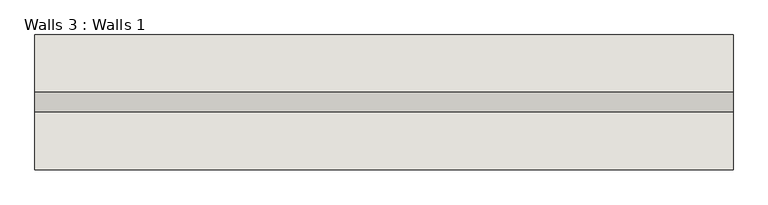
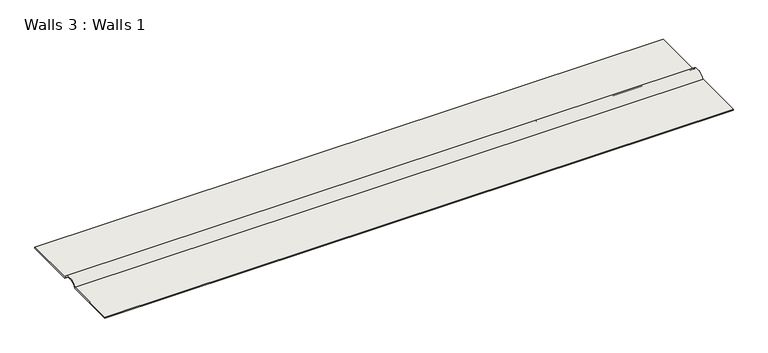
"""IFC4 building model written with IfcOpenShell, lengths in millimetres: wall geometry, Walls 3 : Walls 1."""

from ifc_helpers import new_model, si_unit, point, frame, frame_2d, origin, place, context, project, spatial, polyline, circle_curve, trimmed, segment, composite_curve, outline, extrude, source, transform, mapped, element, save


def walls_3_walls_1_e6d2f7a2(model_context):
    return source(origin(), model_context, "Body", "SweptSolid", [
        extrude(outline(composite_curve([segment(polyline([(2168.1358959, 609.637188), (2168.1358959, 612.812188), (2325.1483126, 612.812188)]), True, "CONTINUOUS"), segment(trimmed(circle_curve(frame_2d((2352.7339276, 594.1003726)), 33.3331395), [point((2325.1483126, 612.812188))], [point((2380.3195426, 612.812188))], False, "CARTESIAN"), True, "CONTINUOUS"), segment(polyline([(2380.3195426, 612.812188), (2535.9837192, 612.812188), (2535.9837192, 609.637188), (2378.5819594, 609.637188)]), True, "CONTINUOUS"), segment(trimmed(circle_curve(frame_2d((2352.7339276, 594.1003726)), 30.1581395), [point((2378.5819594, 609.637188))], [point((2326.8858959, 609.637188))], True, "CARTESIAN"), True, "CONTINUOUS"), segment(polyline([(2326.8858959, 609.637188), (2168.1358959, 609.637188)]), True, "CONTINUOUS")], self_intersect=False)), frame((-971.3503933, 0.0, 0.0), z_axis=(1.0, 0.0, 0.0), x_axis=(0.0, 1.0, 0.0)), (0.0, 0.0, 1.0), 1905.0),
    ])


if __name__ == "__main__":
    model = new_model("IFC4")
    model_context = context("Model", 3, world=origin())
    ifc_project = project(units=[si_unit("LENGTHUNIT", "METRE", prefix="MILLI")], contexts=[model_context])
    site = spatial("IfcSite", under=ifc_project)
    building = spatial("IfcBuilding", under=site)
    placement = place(None, origin())
    walls_3_walls_1_shape = walls_3_walls_1_e6d2f7a2(model_context)
    element("IfcWall", 1, ObjectType="Walls 3 : Walls 1", at=placement, inside=building, context=model_context, shape_type="MappedRepresentation", body=[
        mapped(walls_3_walls_1_shape, transform((0.0, 0.0, 0.0), x_axis=(1.0, 0.0, 0.0), y_axis=(0.0, 1.0, 0.0), z_axis=(0.0, 0.0, 1.0))),
    ])
    save(model, "model.ifc")
